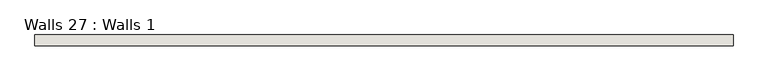
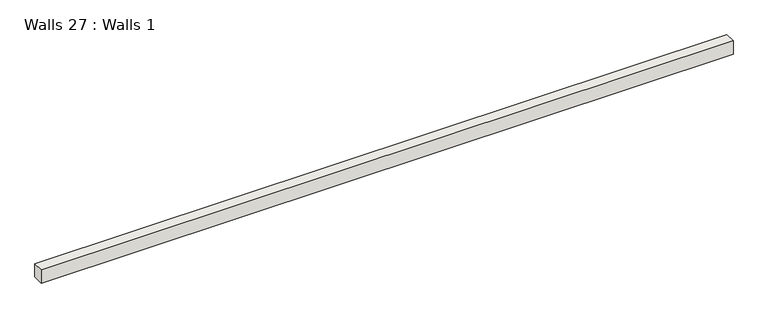
"""IFC4 building model written with IfcOpenShell, lengths in millimetres: wall geometry, Walls 27 : Walls 1."""

from ifc_helpers import new_model, si_unit, frame, origin, place, context, project, spatial, polyline, outline, extrude, source, transform, mapped, element, save


def walls_27_walls_1_0f5e0e32(model_context):
    return source(origin(), model_context, "Body", "SweptSolid", [
        extrude(outline(polyline([(1117.89031, 2364.2279773), (1117.89031, 2402.3279773), (3607.09031, 2402.3279773), (3607.09031, 2364.2279773), (1117.89031, 2364.2279773)])), frame((0.0, 0.0, 279.4568966), z_axis=(0.0, 0.0, 1.0), x_axis=(1.0, 0.0, 0.0)), (0.0, 0.0, 1.0), 50.8),
    ])


if __name__ == "__main__":
    model = new_model("IFC4")
    model_context = context("Model", 3, world=origin())
    ifc_project = project(units=[si_unit("LENGTHUNIT", "METRE", prefix="MILLI")], contexts=[model_context])
    site = spatial("IfcSite", under=ifc_project)
    building = spatial("IfcBuilding", under=site)
    placement = place(None, origin())
    walls_27_walls_1_shape = walls_27_walls_1_0f5e0e32(model_context)
    element("IfcWall", 1, ObjectType="Walls 27 : Walls 1", at=placement, inside=building, context=model_context, shape_type="MappedRepresentation", body=[
        mapped(walls_27_walls_1_shape, transform((0.0, 0.0, 0.0), x_axis=(1.0, 0.0, 0.0), y_axis=(0.0, 1.0, 0.0), z_axis=(0.0, 0.0, 1.0))),
    ])
    save(model, "model.ifc")
